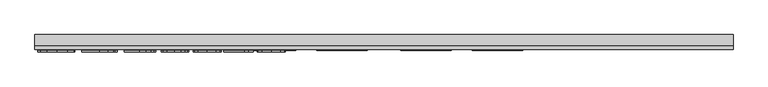
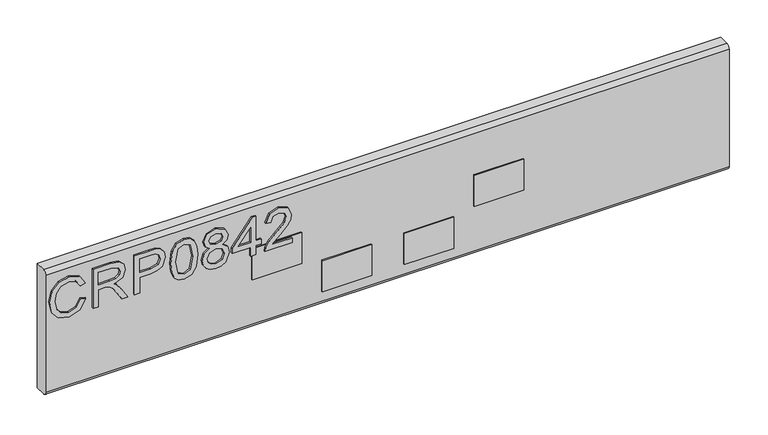
"""IFC4 building model written with IfcOpenShell, lengths in millimetres: furniture geometry."""

import ifcopenshell
import ifcopenshell.guid

model = None  # the IFC model being written
_history = None  # IfcOwnerHistory: only IFC2X3 demands one
_inside = {}  # id of a spatial element -> (the spatial element, [elements in it])
_under = {}  # id of a project, library or spatial element -> (it, [spatial elements below it])
_declared = {}  # id of a project -> (the project, [libraries it declares])
_typed = {}  # id of a type object -> (the type object, [elements of that type])
_made_of = {}  # id of a material, layer set ... -> (it, [elements and type objects made of it])


def new_model(schema):
    """Start an empty IFC model of exactly this schema.

    Asked for "IFC4X3", IfcOpenShell would pick the latest addendum, in which some entities
    have other attributes; the version numbers below select the first issue.
    IFC2X3 requires an IfcOwnerHistory on every rooted entity: one is made here for all.
    """
    global model, _history
    if schema == "IFC4X3":
        model = ifcopenshell.file(schema_version=(4, 3, 0, 0))
    else:
        model = ifcopenshell.file(schema=schema)
    _inside.clear()
    _under.clear()
    _declared.clear()
    _typed.clear()
    _made_of.clear()
    _history = None
    if model.schema == "IFC2X3":
        org = make("IfcOrganization", Name="unknown")
        user = make(
            "IfcPersonAndOrganization",
            ThePerson=make("IfcPerson", FamilyName="unknown"),
            TheOrganization=org,
        )
        app = make(
            "IfcApplication",
            ApplicationDeveloper=org,
            Version="unknown",
            ApplicationFullName="unknown",
            ApplicationIdentifier="unknown",
        )
        _history = make(
            "IfcOwnerHistory",
            OwningUser=user,
            OwningApplication=app,
            ChangeAction="ADDED",
            CreationDate=0,
        )
    return model


def make(cls, **values):
    """One entity of the class cls with the attributes given. An attribute that is None is left unset."""
    return model.create_entity(
        cls, **{name: value for name, value in values.items() if value is not None}
    )


def rooted(cls, **values):
    """An entity with a GlobalId (a new one), such as an element, a storey or a relation."""
    return make(cls, GlobalId=ifcopenshell.guid.new(), OwnerHistory=_history, **values)


def si_unit(unit_type, name, prefix=None):
    """IfcSIUnit, for example si_unit("LENGTHUNIT", "METRE", prefix="MILLI")."""
    return make("IfcSIUnit", UnitType=unit_type, Prefix=prefix, Name=name)


def assignment(units):
    """IfcUnitAssignment: the units of a project."""
    return None if units is None else make("IfcUnitAssignment", Units=units)


def point(xyz):
    """IfcCartesianPoint."""
    return None if xyz is None else make("IfcCartesianPoint", Coordinates=xyz)


def direction(xyz):
    """IfcDirection."""
    return None if xyz is None else make("IfcDirection", DirectionRatios=xyz)


def frame(location, z_axis=None, x_axis=None):
    """IfcAxis2Placement3D, a coordinate frame: its origin and axes. An axis left out is left unset."""
    return make(
        "IfcAxis2Placement3D",
        Location=point(location),
        Axis=direction(z_axis),
        RefDirection=direction(x_axis),
    )


def frame_2d(location, x_axis=None):
    """IfcAxis2Placement2D, a coordinate frame in the plane: its origin and x axis."""
    return make(
        "IfcAxis2Placement2D", Location=point(location), RefDirection=direction(x_axis)
    )


def origin():
    """The frame at (0, 0, 0) with its axes left unset."""
    return frame((0.0, 0.0, 0.0))


def place(relative_to, where):
    """IfcLocalPlacement: puts the frame where relative to a parent placement (None: the world)."""
    return make(
        "IfcLocalPlacement", PlacementRelTo=relative_to, RelativePlacement=where
    )


def context(
    kind, dimensions, precision=None, world=None, true_north=None, identifier=None
):
    """IfcGeometricRepresentationContext, for example the 3D "Model" context."""
    return make(
        "IfcGeometricRepresentationContext",
        ContextIdentifier=identifier,
        ContextType=kind,
        CoordinateSpaceDimension=dimensions,
        Precision=precision,
        WorldCoordinateSystem=world,
        TrueNorth=true_north,
    )


def project(units=None, contexts=None):
    """IfcProject with its units and contexts."""
    return rooted(
        "IfcProject",
        Name="project",
        RepresentationContexts=contexts,
        UnitsInContext=assignment(units),
    )


def spatial(cls, under=None, at=None, **own):
    """A site, building, storey or space (cls), placed at a placement, below another one or the project."""
    s = rooted(cls, ObjectPlacement=at, **own)
    if under is not None:
        _under.setdefault(under.id(), (under, []))[1].append(s)
    return s


def polyline(points):
    """IfcPolyline through the points."""
    return make("IfcPolyline", Points=[point(p) for p in points])


def circle_curve(where, radius):
    """IfcCircle in the frame where."""
    return make("IfcCircle", Position=where, Radius=radius)


def trimmed(basis, trim1, trim2, sense, master):
    """IfcTrimmedCurve: the piece of a basis curve between two trims."""
    return make(
        "IfcTrimmedCurve",
        BasisCurve=basis,
        Trim1=trim1,
        Trim2=trim2,
        SenseAgreement=sense,
        MasterRepresentation=master,
    )


def segment(curve, same_sense, transition):
    """IfcCompositeCurveSegment."""
    return make(
        "IfcCompositeCurveSegment",
        Transition=transition,
        SameSense=same_sense,
        ParentCurve=curve,
    )


def composite_curve(segments, self_intersect=None):
    """IfcCompositeCurve: segments joined end to end."""
    return make("IfcCompositeCurve", Segments=segments, SelfIntersect=self_intersect)


def outline(outer, holes=None, kind="AREA"):
    """IfcArbitraryClosedProfileDef: a profile drawn as a closed curve; with holes, ...WithVoids."""
    if holes is None:
        return make("IfcArbitraryClosedProfileDef", ProfileType=kind, OuterCurve=outer)
    return make(
        "IfcArbitraryProfileDefWithVoids",
        ProfileType=kind,
        OuterCurve=outer,
        InnerCurves=holes,
    )


def extrude(swept, where, along, depth):
    """IfcExtrudedAreaSolid: the profile swept, set in the frame where, extruded along a direction by depth."""
    return make(
        "IfcExtrudedAreaSolid",
        SweptArea=swept,
        Position=where,
        ExtrudedDirection=direction(along),
        Depth=depth,
    )


def shape(context_of_items, identifier, shape_type, items):
    """IfcShapeRepresentation: the items that make up one representation, for example the "Body"."""
    return make(
        "IfcShapeRepresentation",
        ContextOfItems=context_of_items,
        RepresentationIdentifier=identifier,
        RepresentationType=shape_type,
        Items=items,
    )


def source(mapping_origin, context_of_items, identifier, shape_type, items):
    """IfcRepresentationMap: a shape defined once, which mapped items show again and again."""
    return make(
        "IfcRepresentationMap",
        MappingOrigin=mapping_origin,
        MappedRepresentation=shape(context_of_items, identifier, shape_type, items),
    )


def transform(
    local_origin,
    x_axis=None,
    y_axis=None,
    z_axis=None,
    scale=None,
    scale2=None,
    scale3=None,
    uniform=True,
):
    """IfcCartesianTransformationOperator3D, or its non-uniform kind. x_axis, y_axis, z_axis: its Axis1, 2, 3."""
    if uniform:
        return make(
            "IfcCartesianTransformationOperator3D",
            Axis1=direction(x_axis),
            Axis2=direction(y_axis),
            LocalOrigin=point(local_origin),
            Scale=scale,
            Axis3=direction(z_axis),
        )
    return make(
        "IfcCartesianTransformationOperator3DnonUniform",
        Axis1=direction(x_axis),
        Axis2=direction(y_axis),
        LocalOrigin=point(local_origin),
        Scale=scale,
        Axis3=direction(z_axis),
        Scale2=scale2,
        Scale3=scale3,
    )


def mapped(mapping_source, mapping_target):
    """IfcMappedItem: shows the shape of a source again, moved by a transform."""
    return make(
        "IfcMappedItem", MappingSource=mapping_source, MappingTarget=mapping_target
    )


def made_of(thing, what):
    """Note that an element or type object is made of a material, layer set ...; save() writes the relation."""
    if what is not None:
        _made_of.setdefault(what.id(), (what, []))[1].append(thing)
    return thing


def element(
    cls,
    number,
    at=None,
    inside=None,
    cuts=None,
    type_object=None,
    material=None,
    context=None,
    identifier="Body",
    shape_type=None,
    held_by="IfcProductDefinitionShape",
    body=None,
    shapes=None,
    **own,
):
    """One element of the class cls, such as IfcWall. Its Tag is "e" and its number.

    at: its placement. inside: the storey or other place that contains it. cuts: it is an
    opening in that element (IfcRelVoidsElement). A single representation is given by context,
    identifier, shape_type and body (its items); several are given by shapes. held_by: the class
    of the entity that holds the representations. save() writes the other relations.
    """
    e = rooted(cls, Tag="e%d" % number, ObjectPlacement=at, **own)
    if body is not None:
        shapes = [shape(context, identifier, shape_type, body)]
    if shapes is not None:
        e.Representation = make(held_by, Representations=shapes)
    if inside is not None:
        _inside.setdefault(inside.id(), (inside, []))[1].append(e)
    if cuts is not None:
        rooted(
            "IfcRelVoidsElement", RelatingBuildingElement=cuts, RelatedOpeningElement=e
        )
    if type_object is not None:
        _typed.setdefault(type_object.id(), (type_object, []))[1].append(e)
    return made_of(e, material)


def aggregate(whole, parts):
    """IfcRelAggregates: a whole, such as a stair, and the parts it consists of."""
    return rooted("IfcRelAggregates", RelatingObject=whole, RelatedObjects=parts)


def save(model, path):
    """Write the relations noted so far, then the file.

    IfcRelAggregates (storeys below a building ...), IfcRelContainedInSpatialStructure (elements
    in a storey), IfcRelDefinesByType, IfcRelAssociatesMaterial and IfcRelDeclares: one each for
    every whole, place, type object, material and project.
    """
    for whole, parts in _under.values():
        aggregate(whole, parts)
    for where, things in _inside.values():
        rooted(
            "IfcRelContainedInSpatialStructure",
            RelatedElements=things,
            RelatingStructure=where,
        )
    for kind, things in _typed.values():
        rooted("IfcRelDefinesByType", RelatedObjects=things, RelatingType=kind)
    for what, things in _made_of.values():
        rooted("IfcRelAssociatesMaterial", RelatedObjects=things, RelatingMaterial=what)
    for by, libraries in _declared.values():
        rooted("IfcRelDeclares", RelatingContext=by, RelatedDefinitions=libraries)
    model.write(path)


def furniture_be1f708d(model_context):
    return source(origin(), model_context, "Body", "SweptSolid", [
        extrude(outline(polyline([(498.9252652, -802.6680206), (487.1827171, -809.4347807), (483.2270047, -821.636752), (486.1314943, -832.6395507), (494.907258, -840.1304865), (508.6432359, -842.5366187), (520.4947997, -840.5042546), (529.6521183, -833.4571684), (533.0627523, -820.9826579), (529.9869522, -810.2056774), (520.1833263, -803.6647356), (522.0833141, -795.6910159), (536.0684708, -804.7003847), (541.0364719, -820.6711844), (537.197562, -835.9956768), (525.9611582, -846.7337231), (508.6276623, -850.5103383), (491.5744924, -847.1697859), (479.4426026, -837.4362414), (475.253285, -820.8424948), (480.7897251, -804.1475194), (496.8695406, -794.694301), (498.9252652, -802.6680206)])), frame((0.0, 1146.9916162, 0.0), z_axis=(0.0, 1.0, 0.0), x_axis=(0.0, 0.0, 1.0)), (0.0, 0.0, 1.0), 2.38125),
        extrude(outline(polyline([(476.25, -783.7304365), (476.25, -775.7567169), (504.1580187, -775.7567169), (504.1580187, -766.1321881), (503.8776926, -761.5068078), (502.3592596, -757.7146189), (498.22445, -753.5019409), (489.4720468, -747.5060775), (476.25, -739.2053108), (476.25, -729.9389764), (493.536775, -740.5757938), (501.7440996, -747.0388673), (505.1547336, -751.5708056), (511.0883023, -738.2163826), (522.5816716, -733.8946889), (532.2295609, -736.5032788), (538.3188663, -743.4802835), (540.0397569, -756.242907), (540.0397569, -783.7304365), (476.25, -783.7304365)]), holes=[polyline([(512.1317383, -775.7567169), (532.0660373, -775.7567169), (532.0660373, -755.9002862), (529.3094975, -745.2401083), (522.2857719, -741.8684085), (516.8739211, -743.6360202), (513.2608294, -748.806479), (512.1317383, -757.9092898), (512.1317383, -775.7567169)])]), frame((0.0, 1146.9916162, 0.0), z_axis=(0.0, 1.0, 0.0), x_axis=(0.0, 0.0, 1.0)), (0.0, 0.0, 1.0), 2.38125),
        extrude(outline(polyline([(476.25, -719.9406796), (476.25, -711.96696), (502.1645888, -711.96696), (502.1645888, -695.7547683), (503.574006, -684.4268693), (507.8022577, -677.2298865), (521.5849567, -672.0983619), (530.282852, -673.9983497), (536.4500257, -679.0208587), (539.4323838, -686.7687601), (540.0397569, -696.2998468), (540.0397569, -719.9406796), (476.25, -719.9406796)]), holes=[polyline([(510.1383084, -711.96696), (532.0660373, -711.96696), (532.0660373, -695.4744422), (531.5209588, -687.5007226), (527.9078671, -682.1200192), (521.3046306, -680.0720815), (513.0661585, -683.5450101), (510.1383084, -695.2875582), (510.1383084, -711.96696)])]), frame((0.0, 1146.9916162, 0.0), z_axis=(0.0, 1.0, 0.0), x_axis=(0.0, 0.0, 1.0)), (0.0, 0.0, 1.0), 2.38125),
        extrude(outline(polyline([(507.6309473, -664.1246422), (492.1156775, -662.5361278), (481.3270168, -657.7705844), (476.771718, -651.4788213), (475.253285, -643.1936283), (478.7495742, -631.5211617), (489.3552443, -624.5830913), (507.6309473, -622.2626143), (522.6206058, -623.7109657), (532.0582505, -627.4486467), (537.9840324, -633.8805729), (540.0397569, -643.1936283), (536.5668283, -654.8193737), (525.9845188, -661.7808047), (507.6309473, -664.1246422)]), holes=[polyline([(507.646521, -656.1509226), (527.7988514, -652.2886522), (532.0660373, -643.2870703), (527.2226256, -633.8494256), (507.646521, -630.2363339), (487.8601718, -633.9740149), (483.2270047, -643.1936283), (487.8445982, -652.4132416), (507.646521, -656.1509226)])]), frame((0.0, 1146.9916162, 0.0), z_axis=(0.0, 1.0, 0.0), x_axis=(0.0, 0.0, 1.0)), (0.0, 0.0, 1.0), 2.38125),
        extrude(outline(polyline([(511.3842021, -603.6676509), (505.5907964, -612.2643174), (495.0318474, -615.2856096), (487.2742125, -613.845045), (480.9143145, -609.5233513), (476.6685424, -602.8500332), (475.253285, -594.3545956), (476.6627023, -585.859158), (480.890954, -579.1858399), (494.813816, -573.4235816), (505.1313731, -576.3280713), (511.3842021, -584.8079352), (516.313269, -577.7452753), (523.8275653, -575.4170115), (535.3209346, -580.649765), (540.0397569, -594.4636113), (535.4299503, -608.1528682), (524.0455967, -613.2921797), (516.3366295, -610.9327685), (511.3842021, -603.6676509)]), holes=[polyline([(523.8119916, -605.3184601), (529.6365446, -602.4451177), (532.0660373, -594.3545956), (529.5820368, -586.2874339), (523.4537972, -583.3907311), (517.5358022, -586.1939919), (515.1218831, -594.2611536), (517.5513758, -602.4918388), (523.8119916, -605.3184601)]), polyline([(495.3121735, -607.31189), (503.7686769, -603.9401902), (507.1481635, -594.5570533), (503.7219559, -584.9013772), (495.0629947, -581.3973012), (486.5675571, -584.7923615), (483.2270047, -594.2923009), (484.8155191, -601.2693056), (489.3085232, -605.9803411), (495.3121735, -607.31189)])]), frame((0.0, 1146.9916162, 0.0), z_axis=(0.0, 1.0, 0.0), x_axis=(0.0, 0.0, 1.0)), (0.0, 0.0, 1.0), 2.38125),
        extrude(outline(polyline([(476.25, -540.5319882), (476.25, -532.5582685), (491.2007243, -532.5582685), (491.2007243, -524.5845489), (499.1744439, -524.5845489), (499.1744439, -532.5582685), (539.043042, -532.5582685), (539.043042, -538.5385583), (499.1744439, -569.4367218), (491.2007243, -569.4367218), (491.2007243, -540.5319882), (476.25, -540.5319882)]), holes=[polyline([(499.1744439, -540.5319882), (499.1744439, -559.625309), (523.8119916, -540.5319882), (499.1744439, -540.5319882)])]), frame((0.0, 1146.9916162, 0.0), z_axis=(0.0, 1.0, 0.0), x_axis=(0.0, 0.0, 1.0)), (0.0, 0.0, 1.0), 2.38125),
        extrude(outline(polyline([(484.2237196, -476.7422312), (484.2237196, -508.0608839), (488.2806609, -504.4633658), (495.950694, -495.2904735), (506.8756243, -483.8671858), (514.6936072, -479.1561502), (522.2546245, -477.7389462), (534.9315928, -482.9950602), (540.0397569, -497.2683298), (535.445524, -511.4948783), (522.0988878, -517.6075443), (521.1021729, -509.6338246), (529.1537608, -506.2776985), (532.0660373, -497.4396402), (529.0836793, -488.9597762), (521.7718407, -485.7126658), (512.7391115, -489.1544471), (499.45477, -502.9215724), (490.2117962, -512.9042956), (481.7475059, -517.7477073), (476.25, -518.6042592), (476.25, -476.7422312), (484.2237196, -476.7422312)])), frame((0.0, 1146.9916162, 0.0), z_axis=(0.0, 1.0, 0.0), x_axis=(0.0, 0.0, 1.0)), (0.0, 0.0, 1.0), 2.38125),
        extrude(outline(polyline([(-194.0971981, 1150.9603662), (-117.8971981, 1150.9603662), (-117.8971981, 1149.3728662), (-194.0971981, 1149.3728662), (-194.0971981, 1150.9603662)])), frame((0.0, 0.0, 434.974997), z_axis=(0.0, 0.0, 1.0), x_axis=(1.0, 0.0, 0.0)), (0.0, 0.0, 1.0), 50.8000061),
        extrude(outline(polyline([(-536.9971981, 1150.9603662), (-460.7971981, 1150.9603662), (-460.7971981, 1149.3728662), (-536.9971981, 1149.3728662), (-536.9971981, 1150.9603662)])), frame((0.0, 0.0, 434.974997), z_axis=(0.0, 0.0, 1.0), x_axis=(1.0, 0.0, 0.0)), (0.0, 0.0, 1.0), 50.8000061),
        extrude(outline(polyline([(-429.0471921, 1150.9603662), (-352.8471921, 1150.9603662), (-352.8471921, 1149.3728662), (-429.0471921, 1149.3728662), (-429.0471921, 1150.9603662)])), frame((0.0, 0.0, 377.8249992), z_axis=(0.0, 0.0, 1.0), x_axis=(1.0, 0.0, 0.0)), (0.0, 0.0, 1.0), 50.7999992),
        extrude(outline(polyline([(-302.047186, 1150.9603662), (-225.847186, 1150.9603662), (-225.847186, 1149.3728662), (-302.047186, 1149.3728662), (-302.047186, 1150.9603662)])), frame((0.0, 0.0, 377.8249992), z_axis=(0.0, 0.0, 1.0), x_axis=(1.0, 0.0, 0.0)), (0.0, 0.0, 1.0), 50.7999992),
        extrude(outline(composite_curve([segment(trimmed(circle_curve(frame_2d((1156.9134912, 552.8468811)), 5.953125), [point((1150.9603662, 552.8468811))], [point((1156.9134912, 558.8000061))], False, "CARTESIAN"), True, "CONTINUOUS"), segment(polyline([(1156.9134912, 558.8000061), (1173.1853662, 558.8000061), (1173.1853662, 355.6), (1156.9134912, 355.6)]), True, "CONTINUOUS"), segment(trimmed(circle_curve(frame_2d((1156.9134912, 361.553125)), 5.953125), [point((1156.9134912, 355.6))], [point((1150.9603662, 361.553125))], False, "CARTESIAN"), True, "CONTINUOUS"), segment(polyline([(1150.9603662, 361.553125), (1150.9603662, 552.8468811)]), True, "CONTINUOUS")], self_intersect=False)), frame((-854.4971981, 0.0, 0.0), z_axis=(1.0, 0.0, 0.0), x_axis=(0.0, 1.0, 0.0)), (0.0, 0.0, 1.0), 1054.1),
    ])


if __name__ == "__main__":
    model = new_model("IFC4")
    model_context = context("Model", 3, world=origin())
    ifc_project = project(units=[si_unit("LENGTHUNIT", "METRE", prefix="MILLI")], contexts=[model_context])
    site = spatial("IfcSite", under=ifc_project)
    building = spatial("IfcBuilding", under=site)
    placement = place(None, origin())
    furniture_shape = furniture_be1f708d(model_context)
    element("IfcFurniture", 1, at=placement, inside=building, context=model_context, shape_type="MappedRepresentation", body=[
        mapped(furniture_shape, transform((0.0, 0.0, 0.0), x_axis=(1.0, 0.0, 0.0), y_axis=(0.0, 1.0, 0.0), z_axis=(0.0, 0.0, 1.0))),
    ])
    save(model, "model.ifc")
